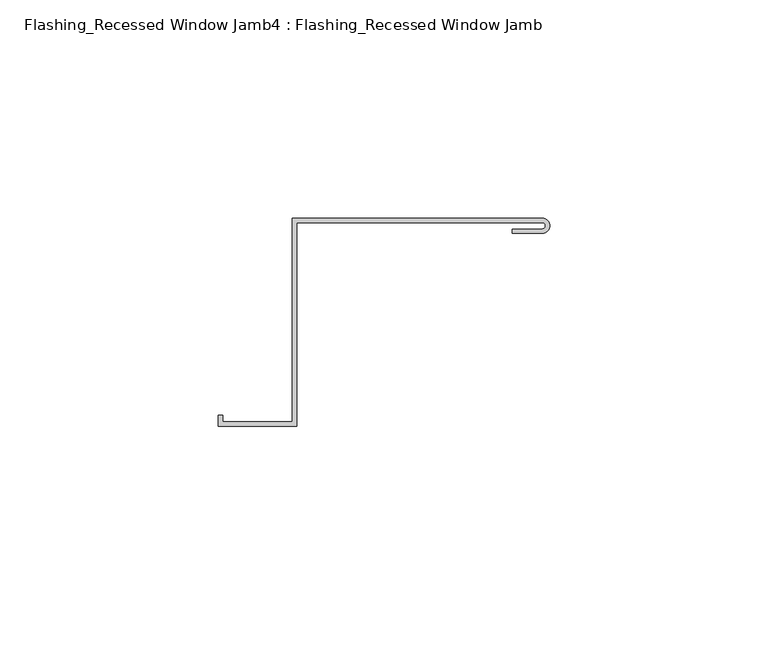
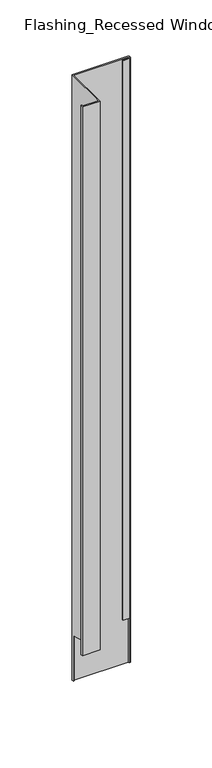
"""IFC4 building model written with IfcOpenShell, lengths in millimetres: proxy geometry, Flashing_Recessed Window Jamb4 : Flashing_Recessed Window Jamb."""

from ifc_helpers import new_model, si_unit, frame, origin, place, context, project, spatial, polyline, circle_curve, ellipse_curve, source, transform, mapped, element, save
from ifc_brep_helpers import plane_surface, cylinder_surface, revolved_surface, advanced_brep


def flashing_recessed_window_jamb4_flashing_recessed_window_jamb_9fe3d393(model_context):
    return source(origin(), model_context, "Body", "AdvancedBrep", [
        advanced_brep(
        [(8483.7220781, 658.7344915, -27.6721404), (8426.4791786, 658.7344915, -27.6721404), (8426.4791786, 612.0490096, -27.6721404), (8410.4479286, 612.0490096, -27.6721404), (8410.4479286, 613.5934881, -27.6721404), (8409.4479286, 613.5934881, -27.6721404), (8409.4479286, 611.0490096, -27.6721404), (8427.4791786, 611.0490096, -27.6721404), (8427.4791786, 657.7344915, -27.6721404), (8483.7220781, 657.7344915, -27.6721404), (8483.7220781, 656.2483487, -27.6721404), (8476.8470781, 656.2483487, -27.6721404), (8476.8470781, 655.2483487, -27.6721404), (8483.7220781, 655.2483487, -27.6721404), (8483.7220781, 657.7344915, -688.2016371), (8427.4791786, 657.7344915, -688.2016371), (8427.4791786, 656.8026399, -688.2016371), (8426.4791786, 656.8026399, -688.2016371), (8426.4791786, 658.7344915, -688.2016371), (8483.7220781, 658.7344915, -688.2016371), (8485.4548967, 656.8026399, -688.2016371), (8484.4407694, 656.8026399, -688.2016371), (8426.4791786, 656.8026399, -638.7682442), (8426.4791786, 612.0490096, -626.7765451), (8410.4479286, 612.0490096, -626.7765451), (8410.4479286, 613.5934881, -627.1903869), (8409.4479286, 613.5934881, -627.1903869), (8409.4479286, 611.0490096, -626.5085959), (8427.4791786, 611.0490096, -626.5085959), (8427.4791786, 656.8026399, -638.7682442), (8476.8470781, 655.2483487, -638.3517731), (8483.7220781, 655.2483487, -638.3517731), (8476.8470781, 656.2483487, -638.6197223), (8483.7220781, 656.2483487, -638.6197223), (8484.4407694, 656.8026399, -638.7682442), (8485.4548967, 656.8026399, -638.7682442)],
        [
            (0, 1),
            (1, 2),
            (2, 3),
            (3, 4),
            (4, 5),
            (5, 6),
            (6, 7),
            (7, 8),
            (8, 9),
            (9, 10, circle_curve(frame((8483.7220781, 656.9914201, -27.6721404), z_axis=(0.0, 0.0, -1.0), x_axis=(1.0, 0.0, 0.0)), 0.7430714)),
            (10, 11),
            (11, 12),
            (12, 13),
            (13, 0, circle_curve(frame((8483.7220781, 656.9914201, -27.6721404), z_axis=(0.0, 0.0, 1.0), x_axis=(1.0, 0.0, 0.0)), 1.7430714)),
            (14, 15),
            (15, 16),
            (16, 17),
            (17, 18),
            (18, 19),
            (19, 20, circle_curve(frame((8483.7220781, 656.9914201, -688.2016371), z_axis=(0.0, 0.0, -1.0), x_axis=(1.0, 0.0, 0.0)), 1.7430714)),
            (20, 21),
            (21, 14, circle_curve(frame((8483.7220781, 656.9914201, -688.2016371), z_axis=(0.0, 0.0, 1.0), x_axis=(1.0, 0.0, 0.0)), 0.7430714)),
            (0, 19),
            (18, 1),
            (17, 22),
            (22, 23),
            (23, 2),
            (23, 24),
            (24, 3),
            (24, 25),
            (25, 4),
            (25, 26),
            (26, 5),
            (26, 27),
            (27, 6),
            (27, 28),
            (28, 7),
            (28, 29),
            (29, 16),
            (15, 8),
            (14, 9),
            (12, 30),
            (30, 31),
            (31, 13),
            (11, 32),
            (32, 30),
            (10, 33),
            (33, 32),
            (21, 34),
            (34, 33, ellipse_curve(frame((8483.7220781, 656.9914201, -638.8188277), z_axis=(0.0, -0.25881904510252046, -0.9659258262890684), x_axis=(0.0, 0.9659258262890684, -0.25881904510251985)), 0.7692841, 0.7430714)),
            (31, 35, ellipse_curve(frame((8483.7220781, 656.9914201, -638.8188277), z_axis=(0.0, 0.25881904510252046, 0.9659258262890684), x_axis=(0.0, -0.9659258262890684, 0.25881904510251985)), 1.8045603, 1.7430714)),
            (35, 20),
            (22, 29),
            (34, 35),
        ],
        [
            plane_surface(frame((8411.4791786, 612.0490096, -27.6721404), z_axis=(0.0, 0.0, 1.0), x_axis=(-1.0, 0.0, 0.0))),
            plane_surface(frame((8411.4791786, 612.0490096, -688.2016371), z_axis=(0.0, 0.0, -1.0), x_axis=(1.0, 0.0, 0.0))),
            plane_surface(frame((8483.7220781, 658.7344915, -27.6721404), z_axis=(0.0, 1.0, 0.0), x_axis=(0.0, 0.0, -1.0))),
            plane_surface(frame((8426.4791786, 658.7344915, -27.6721404), z_axis=(-1.0, 0.0, 0.0), x_axis=(0.0, 0.0, -1.0))),
            plane_surface(frame((8426.4791786, 612.0490096, -27.6721404), z_axis=(0.0, 1.0, 0.0), x_axis=(0.0, 0.0, -1.0))),
            plane_surface(frame((8410.4479286, 612.0490096, -27.6721404), z_axis=(1.0, 0.0, 0.0), x_axis=(0.0, 0.0, -1.0))),
            plane_surface(frame((8410.4479286, 613.5934881, -27.6721404), z_axis=(0.0, 1.0, 0.0), x_axis=(0.0, 0.0, -1.0))),
            plane_surface(frame((8409.4479286, 613.5934881, -27.6721404), z_axis=(-1.0, 0.0, 0.0), x_axis=(0.0, 0.0, -1.0))),
            plane_surface(frame((8409.4479286, 611.0490096, -27.6721404), z_axis=(0.0, -1.0, 0.0), x_axis=(0.0, 0.0, -1.0))),
            plane_surface(frame((8427.4791786, 611.0490096, -27.6721404), z_axis=(1.0, 0.0, 0.0), x_axis=(0.0, 0.0, -1.0))),
            plane_surface(frame((8427.4791786, 657.7344915, -27.6721404), z_axis=(0.0, -1.0, 0.0), x_axis=(0.0, 0.0, -1.0))),
            plane_surface(frame((8476.8470781, 655.2483487, -27.6721404), z_axis=(0.0, -1.0, 0.0), x_axis=(0.0, 0.0, -1.0))),
            plane_surface(frame((8476.8470781, 656.2483487, -27.6721404), z_axis=(-1.0, 0.0, 0.0), x_axis=(0.0, 0.0, -1.0))),
            plane_surface(frame((8483.7220781, 656.2483487, -27.6721404), z_axis=(0.0, 1.0, 0.0), x_axis=(0.0, 0.0, -1.0))),
            revolved_surface(polyline([(8484.4651495, 656.9914201, -688.2016371), (8484.4651495, 656.9914201, -27.67214039999999)]), (8483.7220781, 656.9914201, -688.2016371), (0.0, 0.0, -1.0)),
            cylinder_surface(frame((8483.7220781, 656.9914201, -688.2016371), z_axis=(0.0, 0.0, 1.0), x_axis=(1.0, 0.0, 0.0)), 1.7430714),
            plane_surface(frame((8338.0345781, 56.8026399, -477.9987287), z_axis=(0.0, -0.25881904510252046, -0.9659258262890684), x_axis=(1.0, 0.0, 0.0))),
            plane_surface(frame((8338.0345781, 656.8026399, -638.7682442), z_axis=(0.0, -1.0, 0.0), x_axis=(1.0, 0.0, 0.0))),
        ],
        [
            (0, [[1, 2, 3, 4, 5, 6, 7, 8, 9, 10, 11, 12, 13, 14]]),
            (1, [[15, 16, 17, 18, 19, 20, 21, 22]]),
            (2, [[-1, 23, -19, 24]]),
            (3, [[-2, -24, -18, 25, 26, 27]]),
            (4, [[-3, -27, 28, 29]]),
            (5, [[-4, -29, 30, 31]]),
            (6, [[-5, -31, 32, 33]]),
            (7, [[-6, -33, 34, 35]]),
            (8, [[-7, -35, 36, 37]]),
            (9, [[-8, -37, 38, 39, -16, 40]]),
            (10, [[-9, -40, -15, 41]]),
            (11, [[-13, 42, 43, 44]]),
            (12, [[-12, 45, 46, -42]]),
            (13, [[-11, 47, 48, -45]]),
            (14, [[-10, -41, -22, 49, 50, -47]]),
            (15, [[-14, -44, 51, 52, -20, -23]]),
            (16, [[53, -38, -36, -34, -32, -30, -28, -26]]),
            (16, [[54, -51, -43, -46, -48, -50]]),
            (17, [[-53, -25, -17, -39]]),
            (17, [[-54, -49, -21, -52]]),
        ],
    ),
    ])


if __name__ == "__main__":
    model = new_model("IFC4")
    model_context = context("Model", 3, world=origin())
    ifc_project = project(units=[si_unit("LENGTHUNIT", "METRE", prefix="MILLI")], contexts=[model_context])
    site = spatial("IfcSite", under=ifc_project)
    building = spatial("IfcBuilding", under=site)
    placement = place(None, origin())
    flashing_recessed_window_jamb4_flashing_recessed_window_jamb_shape = flashing_recessed_window_jamb4_flashing_recessed_window_jamb_9fe3d393(model_context)
    element("IfcBuildingElementProxy", 1, Name="Flashing_Recessed Window Jamb4 : Flashing_Recessed Window Jamb", ObjectType="Flashing_Recessed Window Jamb4 : Flashing_Recessed Window Jamb", at=placement, inside=building, context=model_context, shape_type="MappedRepresentation", body=[
        mapped(flashing_recessed_window_jamb4_flashing_recessed_window_jamb_shape, transform((0.0, 0.0, 0.0), x_axis=(1.0, 0.0, 0.0), y_axis=(0.0, 1.0, 0.0), z_axis=(0.0, 0.0, 1.0))),
    ])
    save(model, "model.ifc")
